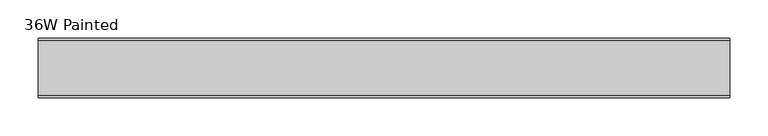
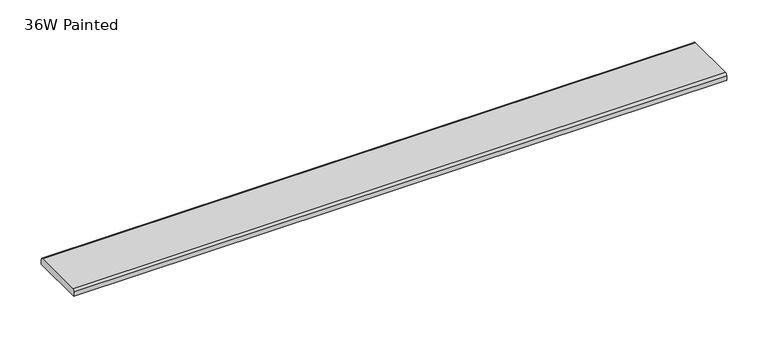
"""IFC4 building model written with IfcOpenShell, lengths in millimetres: furniture geometry, 36W Painted."""

from ifc_helpers import new_model, si_unit, point, frame, frame_2d, origin, place, context, project, spatial, polyline, circle_curve, trimmed, segment, composite_curve, outline, extrude, source, transform, mapped, element, save


def furniture_36w_painted_7f9d550d(model_context):
    return source(origin(), model_context, "Body", "SweptSolid", [
        extrude(outline(composite_curve([segment(polyline([(37.5704018, 1715.516), (37.5704018, 1709.166), (-40.8679732, 1709.166), (-40.8679732, 1715.516)]), True, "CONTINUOUS"), segment(trimmed(circle_curve(frame_2d((-37.6929732, 1715.516)), 3.175), [point((-40.8679732, 1715.516))], [point((-37.6929732, 1718.691))], False, "CARTESIAN"), True, "CONTINUOUS"), segment(polyline([(-37.6929732, 1718.691), (34.3954018, 1718.691)]), True, "CONTINUOUS"), segment(trimmed(circle_curve(frame_2d((34.3954018, 1715.516)), 3.175), [point((34.3954018, 1718.691))], [point((37.5704018, 1715.516))], False, "CARTESIAN"), True, "CONTINUOUS")], self_intersect=False)), frame((-454.974325, 0.0, 0.0), z_axis=(1.0, 0.0, 0.0), x_axis=(0.0, 1.0, 0.0)), (0.0, 0.0, 1.0), 909.955),
    ])


if __name__ == "__main__":
    model = new_model("IFC4")
    model_context = context("Model", 3, world=origin())
    ifc_project = project(units=[si_unit("LENGTHUNIT", "METRE", prefix="MILLI")], contexts=[model_context])
    site = spatial("IfcSite", under=ifc_project)
    building = spatial("IfcBuilding", under=site)
    placement = place(None, origin())
    furniture_36w_painted_shape = furniture_36w_painted_7f9d550d(model_context)
    element("IfcFurniture", 1, ObjectType="36W Painted", at=placement, inside=building, context=model_context, shape_type="MappedRepresentation", body=[
        mapped(furniture_36w_painted_shape, transform((0.0, 0.0, 0.0), x_axis=(1.0, 0.0, 0.0), y_axis=(0.0, 1.0, 0.0), z_axis=(0.0, 0.0, 1.0))),
    ])
    save(model, "model.ifc")
